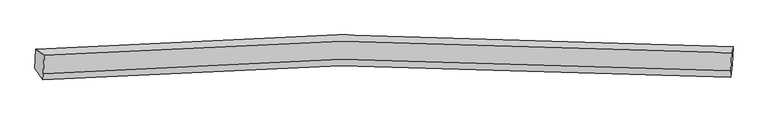
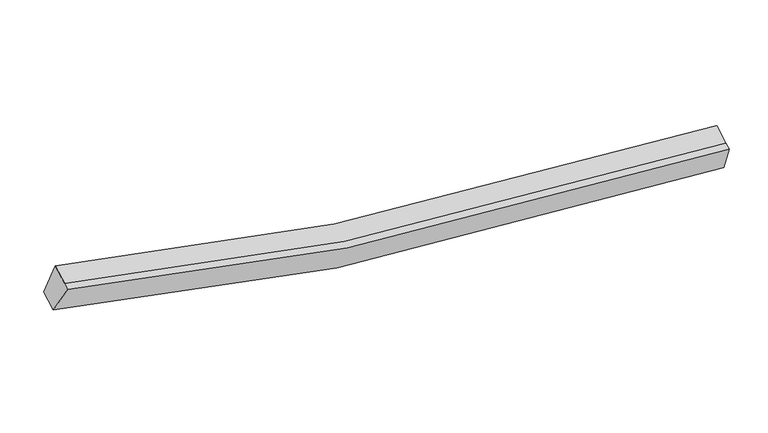
"""IFC4 building model written with IfcOpenShell, lengths in millimetres: proxy geometry."""

from ifc_helpers import new_model, si_unit, frame, origin, place, context, project, spatial, source, transform, mapped, element, save
from ifc_brep_helpers import plane_surface, spline_curve, spline_surface, advanced_brep


def generic_models_9e6c5cdd(model_context):
    return source(origin(), model_context, "Body", "AdvancedBrep", [
        advanced_brep(
        [(-7217.6997137, -1865.2423986, 4069.8434905), (-7026.6569872, -2001.8613392, 4745.5112011), (8701.9207527, -1937.2681302, 2725.2077617), (8731.5225708, -1801.0654167, 2023.5942879), (-7048.290322, -2419.3530968, 4568.2373281), (8680.2874179, -2354.7598879, 2547.9338886), (-7055.9129737, -2566.4591399, 4505.7736805), (8672.6647662, -2501.865931, 2485.4702411), (-7239.9394513, -2294.4368433, 3887.6004639), (8709.2828333, -2230.2598615, 1841.3512612)],
        [
            (0, 1),
            (1, 2, spline_curve(3, [(-7026.6569872, -2001.8613392, 4745.5112011), (-4779.726760315, -1815.00447353, 4063.436250955), (-2508.572462918, -1706.043772014, 3551.015606192), (2718.981607499, -1635.296592745, 2770.390678103), (5690.686556985, -1722.72622494, 2609.376842651), (8701.9207527, -1937.2681302, 2725.2077617)], [4, 2, 4], [0.0, 23.102267100344474, 52.613700709025])),
            (2, 3),
            (3, 0, spline_curve(3, [(8731.5225708, -1801.0654167, 2023.5942879), (5678.114014215, -1583.837736858, 1906.584873033), (2664.751083465, -1495.18515188, 2069.802236126), (-2636.151233251, -1566.3599718, 2860.38522606), (-4939.1957308, -1676.404884703, 3379.250929304), (-7217.6997137, -1865.2423986, 4069.8434905)], [4, 2, 4], [0.0, 29.511433608680523, 52.613700709025])),
            (1, 4),
            (4, 5, spline_curve(3, [(-7048.290322, -2419.3530968, 4568.2373281), (-4801.360095397, -2232.496230919, 3886.162378141), (-2530.205797797, -2123.535529346, 3373.741732998), (2697.3482728, -2052.788350914, 2593.11680535), (5669.053222091, -2140.217982547, 2432.102970162), (8680.2874179, -2354.7598879, 2547.9338886)], [4, 2, 4], [0.0, 22.941759344296088, 52.24815619334926])),
            (5, 2),
            (4, 6),
            (6, 7, spline_curve(3, [(-7055.9129737, -2566.4591399, 4505.7736805), (-4808.982747097, -2379.602274019, 3823.698730541), (-2537.828449497, -2270.641572446, 3311.278085398), (2689.7256211, -2199.894394014, 2530.65315775), (5661.430570391, -2287.324025647, 2369.639322662), (8672.6647662, -2501.865931, 2485.4702411)], [4, 2, 4], [0.0, 22.941759344296088, 52.24815619334925])),
            (7, 5),
            (6, 8),
            (8, 9, spline_curve(3, [(-7239.9394513, -2294.4368433, 3887.6004639), (-4961.4354684, -2105.599329403, 3197.007902704), (-2658.390970751, -1995.5544166, 2678.14219946), (2642.511345965, -1924.37959668, 1887.559209526), (5655.874276715, -2013.032181658, 1724.341846333), (8709.2828333, -2230.2598615, 1841.3512612)], [4, 2, 4], [0.0, 23.102267100344474, 52.613700709025])),
            (9, 7),
            (8, 0),
            (3, 9),
        ],
        [
            spline_surface(3, 3, [[(-7217.6997137, -1865.2423986, 4069.8434905), (-4939.195730982, -1676.404884525, 3379.250929573), (-2636.151233579, -1566.359972109, 2860.385225773), (2664.751083884, -1495.185151487, 2069.802236494), (5678.11401462, -1583.837736572, 1906.584872797), (8731.5225708, -1801.0654167, 2023.5942879)], [(-7154.018804848, -1910.782045468, 4295.066060687), (-4886.03940739, -1722.604747421, 3607.312703402), (-2593.624976787, -1612.921238705, 3090.595352617), (2682.827925172, -1541.888965295, 2303.331716983), (5682.30486219, -1630.133899229, 2140.84886285), (8721.655298094, -1846.466321216, 2257.465445825)], [(-7090.337896052, -1956.321692332, 4520.288630913), (-4832.883083852, -1768.804610312, 3835.37447727), (-2551.098719945, -1659.482505293, 3320.80547946), (2700.90476651, -1588.592779096, 2536.861197471), (5686.495709777, -1676.430061839, 2375.112852929), (8711.788025406, -1891.867225684, 2491.336603775)], [(-7026.6569872, -2001.8613392, 4745.5112011), (-4779.726760259, -1815.004473208, 4063.436251099), (-2508.572463153, -1706.043771889, 3551.015606304), (2718.981607799, -1635.296592904, 2770.39067796), (5690.686557347, -1722.726224496, 2609.376842982), (8701.9207527, -1937.2681302, 2725.2077617)]], [4, 4], [4, 2, 4], [0.0, 2.3468494699143467], [0.0, 23.102267100344474, 52.613700709025]),
            spline_surface(3, 3, [[(-7026.6569872, -2001.8613392, 4745.5112011), (-4779.726760259, -1815.004473208, 4063.436251099), (-2508.572463153, -1706.043771889, 3551.015606304), (2718.981607799, -1635.296592904, 2770.39067796), (5690.686557347, -1722.726224496, 2609.376842982), (8701.9207527, -1937.2681302, 2725.2077617)], [(-7033.86809879, -2141.025258415, 4686.419910084), (-4786.937871849, -1954.168392422, 4004.344960083), (-2515.783574743, -1845.207691104, 3491.924315288), (2711.770496209, -1774.460512119, 2711.299386944), (5683.475445757, -1861.890143711, 2550.285551966), (8694.70964111, -2076.432049415, 2666.116470684)], [(-7041.07921041, -2280.189177585, 4627.328619116), (-4794.148983469, -2093.332311593, 3945.253669115), (-2522.994686363, -1984.371610375, 3432.83302432), (2704.559384588, -1913.624431389, 2652.208095976), (5676.264334137, -2001.054062982, 2491.194260898), (8687.49852949, -2215.595968685, 2607.025179616)], [(-7048.290322, -2419.3530968, 4568.2373281), (-4801.360095059, -2232.496230808, 3886.162378099), (-2530.205797953, -2123.535529589, 3373.741733304), (2697.348272999, -2052.788350604, 2593.11680496), (5669.053222547, -2140.217982196, 2432.102969882), (8680.2874179, -2354.7598879, 2547.9338886)]], [4, 4], [4, 2, 4], [0.0, 1.48978093411271], [0.0, 22.941759344296088, 52.24815619334926]),
            spline_surface(3, 3, [[(-7048.290322, -2419.3530968, 4568.2373281), (-4801.360095059, -2232.496230808, 3886.162378099), (-2530.205797953, -2123.535529589, 3373.741733304), (2697.348272999, -2052.788350604, 2593.11680496), (5669.053222547, -2140.217982196, 2432.102969882), (8680.2874179, -2354.7598879, 2547.9338886)], [(-7050.831205917, -2468.388444497, 4547.416112248), (-4803.900978975, -2281.531578505, 3865.341162246), (-2532.746681869, -2172.570877287, 3352.920517451), (2694.807389082, -2101.823698301, 2572.295589108), (5666.51233863, -2189.253329894, 2411.281754029), (8677.746533983, -2403.795235597, 2527.112672748)], [(-7053.372089783, -2517.423792203, 4526.594896352), (-4806.441862842, -2330.56692621, 3844.519946351), (-2535.287565736, -2221.606224992, 3332.099301556), (2692.266505215, -2150.859046007, 2551.474373213), (5663.971454763, -2238.288677599, 2390.460538234), (8675.205650117, -2452.830583303, 2506.291456952)], [(-7055.9129737, -2566.4591399, 4505.7736805), (-4808.982746759, -2379.602273908, 3823.698730499), (-2537.828449653, -2270.641572689, 3311.278085704), (2689.725621299, -2199.894393704, 2530.65315736), (5661.430570847, -2287.324025296, 2369.639322382), (8672.6647662, -2501.865931, 2485.4702411)]], [4, 4], [4, 2, 4], [0.0, 0.5249343832020988], [0.0, 22.941759344296088, 52.24815619334925]),
            spline_surface(3, 3, [[(-7055.9129737, -2566.4591399, 4505.7736805), (-4808.982746759, -2379.602273908, 3823.698730499), (-2537.828449653, -2270.641572689, 3311.278085704), (2689.725621299, -2199.894393704, 2530.65315736), (5661.430570847, -2287.324025296, 2369.639322382), (8672.6647662, -2501.865931, 2485.4702411)], [(-7117.255132884, -2475.785041041, 4299.715941633), (-4859.800320684, -2288.267959021, 3614.80178799), (-2578.015956777, -2178.945854102, 3100.232790179), (2673.987529678, -2108.056127905, 2316.28850819), (5659.578472945, -2195.893410648, 2154.540163648), (8684.870788574, -2411.330574493, 2270.763914495)], [(-7178.597292116, -2385.110942159, 4093.658202767), (-4910.617894658, -2196.933644112, 3405.904845482), (-2618.203463955, -2087.250135496, 2889.187494698), (2658.249438004, -2016.217862086, 2101.923859064), (5657.726375022, -2104.462796021, 1939.441004831), (8697.076810926, -2320.795218007, 2056.057587805)], [(-7239.9394513, -2294.4368433, 3887.6004639), (-4961.435468582, -2105.599329225, 3197.007902973), (-2658.390971079, -1995.554416909, 2678.142199173), (2642.511346384, -1924.379596287, 1887.559209894), (5655.87427712, -2013.032181372, 1724.341846097), (8709.2828333, -2230.2598615, 1841.3512612)]], [4, 4], [4, 2, 4], [0.0, 2.296572427254317], [0.0, 23.102267100344474, 52.613700709025]),
            spline_surface(3, 3, [[(-7239.9394513, -2294.4368433, 3887.6004639), (-4961.435468582, -2105.599329225, 3197.007902973), (-2658.390971079, -1995.554416909, 2678.142199173), (2642.511346384, -1924.379596287, 1887.559209894), (5655.87427712, -2013.032181372, 1724.341846097), (8709.2828333, -2230.2598615, 1841.3512612)], [(-7232.526205462, -2151.372028379, 3948.348139449), (-4954.022222744, -1962.534514304, 3257.755578522), (-2650.977725241, -1852.489601988, 2738.889874722), (2649.924592222, -1781.314781366, 1948.306885443), (5663.287522958, -1869.967366451, 1785.089521647), (8716.696079138, -2087.195046579, 1902.098936749)], [(-7225.112959538, -2008.307213521, 4009.095814951), (-4946.608976821, -1819.469699446, 3318.503254024), (-2643.564479418, -1709.424787029, 2799.637550223), (2657.337838046, -1638.249966408, 2009.054560945), (5670.700768782, -1726.902551493, 1845.837197248), (8724.109324962, -1944.130231621, 1962.846612351)], [(-7217.6997137, -1865.2423986, 4069.8434905), (-4939.195730982, -1676.404884525, 3379.250929573), (-2636.151233579, -1566.359972109, 2860.385225773), (2664.751083884, -1495.185151487, 2069.802236494), (5678.11401462, -1583.837736572, 1906.584872797), (8731.5225708, -1801.0654167, 2023.5942879)]], [4, 4], [4, 2, 4], [0.0, 1.531540896621371], [0.0, 23.262775191421735, 52.97924598770416]),
            plane_surface(frame((8703.8477307, -2117.6148348, 2268.905888), z_axis=(0.9974937518047079, -0.0642606491725281, 0.02961053998989438), x_axis=(0.05231152445907219, 0.3880086707440767, -0.9201699711662963))),
            plane_surface(frame((-7135.0522815, -2181.9999302, 4302.182209), z_axis=(-0.9636475062582722, -0.06056112396358908, 0.2602226622461621), x_axis=(-0.04764157343474011, -0.9194127693236275, -0.39039779723420653))),
        ],
        [
            (0, [[1, 2, 3, 4]]),
            (1, [[5, 6, 7, -2]]),
            (2, [[8, 9, 10, -6]]),
            (3, [[11, 12, 13, -9]]),
            (4, [[14, -4, 15, -12]]),
            (5, [[-13, -15, -3, -7, -10]]),
            (6, [[-14, -11, -8, -5, -1]]),
        ],
    ),
    ])


if __name__ == "__main__":
    model = new_model("IFC4")
    model_context = context("Model", 3, world=origin())
    ifc_project = project(units=[si_unit("LENGTHUNIT", "METRE", prefix="MILLI")], contexts=[model_context])
    site = spatial("IfcSite", under=ifc_project)
    building = spatial("IfcBuilding", under=site)
    placement = place(None, origin())
    generic_models_shape = generic_models_9e6c5cdd(model_context)
    element("IfcBuildingElementProxy", 1, Name="Generic Models", at=placement, inside=building, context=model_context, shape_type="MappedRepresentation", body=[
        mapped(generic_models_shape, transform((0.0, 0.0, 0.0), x_axis=(1.0, 0.0, 0.0), y_axis=(0.0, 1.0, 0.0), z_axis=(0.0, 0.0, 1.0))),
    ])
    save(model, "model.ifc")
